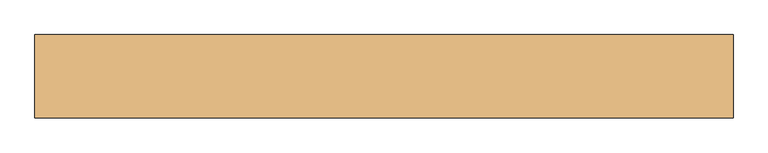
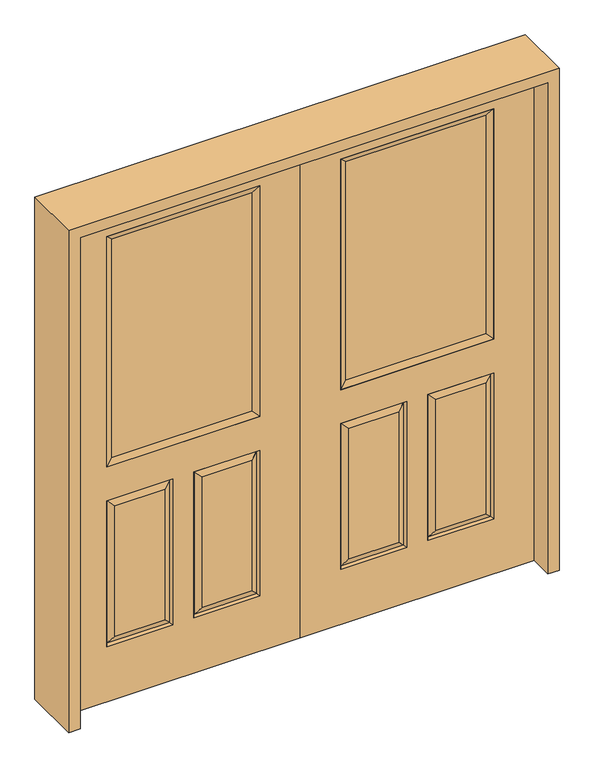
"""IFC4 building model written with IfcOpenShell, lengths in millimetres: door geometry."""

import ifcopenshell
import ifcopenshell.guid

model = None  # the IFC model being written
_history = None  # IfcOwnerHistory: only IFC2X3 demands one
_inside = {}  # id of a spatial element -> (the spatial element, [elements in it])
_under = {}  # id of a project, library or spatial element -> (it, [spatial elements below it])
_declared = {}  # id of a project -> (the project, [libraries it declares])
_typed = {}  # id of a type object -> (the type object, [elements of that type])
_made_of = {}  # id of a material, layer set ... -> (it, [elements and type objects made of it])


def new_model(schema):
    """Start an empty IFC model of exactly this schema.

    Asked for "IFC4X3", IfcOpenShell would pick the latest addendum, in which some entities
    have other attributes; the version numbers below select the first issue.
    IFC2X3 requires an IfcOwnerHistory on every rooted entity: one is made here for all.
    """
    global model, _history
    if schema == "IFC4X3":
        model = ifcopenshell.file(schema_version=(4, 3, 0, 0))
    else:
        model = ifcopenshell.file(schema=schema)
    _inside.clear()
    _under.clear()
    _declared.clear()
    _typed.clear()
    _made_of.clear()
    _history = None
    if model.schema == "IFC2X3":
        org = make("IfcOrganization", Name="unknown")
        user = make(
            "IfcPersonAndOrganization",
            ThePerson=make("IfcPerson", FamilyName="unknown"),
            TheOrganization=org,
        )
        app = make(
            "IfcApplication",
            ApplicationDeveloper=org,
            Version="unknown",
            ApplicationFullName="unknown",
            ApplicationIdentifier="unknown",
        )
        _history = make(
            "IfcOwnerHistory",
            OwningUser=user,
            OwningApplication=app,
            ChangeAction="ADDED",
            CreationDate=0,
        )
    return model


def make(cls, **values):
    """One entity of the class cls with the attributes given. An attribute that is None is left unset."""
    return model.create_entity(
        cls, **{name: value for name, value in values.items() if value is not None}
    )


def rooted(cls, **values):
    """An entity with a GlobalId (a new one), such as an element, a storey or a relation."""
    return make(cls, GlobalId=ifcopenshell.guid.new(), OwnerHistory=_history, **values)


def si_unit(unit_type, name, prefix=None):
    """IfcSIUnit, for example si_unit("LENGTHUNIT", "METRE", prefix="MILLI")."""
    return make("IfcSIUnit", UnitType=unit_type, Prefix=prefix, Name=name)


def assignment(units):
    """IfcUnitAssignment: the units of a project."""
    return None if units is None else make("IfcUnitAssignment", Units=units)


def point(xyz):
    """IfcCartesianPoint."""
    return None if xyz is None else make("IfcCartesianPoint", Coordinates=xyz)


def direction(xyz):
    """IfcDirection."""
    return None if xyz is None else make("IfcDirection", DirectionRatios=xyz)


def frame(location, z_axis=None, x_axis=None):
    """IfcAxis2Placement3D, a coordinate frame: its origin and axes. An axis left out is left unset."""
    return make(
        "IfcAxis2Placement3D",
        Location=point(location),
        Axis=direction(z_axis),
        RefDirection=direction(x_axis),
    )


def origin():
    """The frame at (0, 0, 0) with its axes left unset."""
    return frame((0.0, 0.0, 0.0))


def place(relative_to, where):
    """IfcLocalPlacement: puts the frame where relative to a parent placement (None: the world)."""
    return make(
        "IfcLocalPlacement", PlacementRelTo=relative_to, RelativePlacement=where
    )


def context(
    kind, dimensions, precision=None, world=None, true_north=None, identifier=None
):
    """IfcGeometricRepresentationContext, for example the 3D "Model" context."""
    return make(
        "IfcGeometricRepresentationContext",
        ContextIdentifier=identifier,
        ContextType=kind,
        CoordinateSpaceDimension=dimensions,
        Precision=precision,
        WorldCoordinateSystem=world,
        TrueNorth=true_north,
    )


def project(units=None, contexts=None):
    """IfcProject with its units and contexts."""
    return rooted(
        "IfcProject",
        Name="project",
        RepresentationContexts=contexts,
        UnitsInContext=assignment(units),
    )


def spatial(cls, under=None, at=None, **own):
    """A site, building, storey or space (cls), placed at a placement, below another one or the project."""
    s = rooted(cls, ObjectPlacement=at, **own)
    if under is not None:
        _under.setdefault(under.id(), (under, []))[1].append(s)
    return s


def polyline(points):
    """IfcPolyline through the points."""
    return make("IfcPolyline", Points=[point(p) for p in points])


def outline(outer, holes=None, kind="AREA"):
    """IfcArbitraryClosedProfileDef: a profile drawn as a closed curve; with holes, ...WithVoids."""
    if holes is None:
        return make("IfcArbitraryClosedProfileDef", ProfileType=kind, OuterCurve=outer)
    return make(
        "IfcArbitraryProfileDefWithVoids",
        ProfileType=kind,
        OuterCurve=outer,
        InnerCurves=holes,
    )


def extrude(swept, where, along, depth):
    """IfcExtrudedAreaSolid: the profile swept, set in the frame where, extruded along a direction by depth."""
    return make(
        "IfcExtrudedAreaSolid",
        SweptArea=swept,
        Position=where,
        ExtrudedDirection=direction(along),
        Depth=depth,
    )


def faces_of(points, faces, orient=None, outer=None):
    """IfcFace entities. A face is a list of loops; a loop is a list of indices into points, from 0.

    orient and outer hold one flag for each loop. By default every Orientation is true, the
    first loop of a face is its IfcFaceOuterBound and the others are IfcFaceBound.
    """
    made = []
    for i, loops in enumerate(faces):
        bounds = []
        for j, loop in enumerate(loops):
            is_outer = j == 0 if outer is None else outer[i][j]
            bounds.append(
                make(
                    "IfcFaceOuterBound" if is_outer else "IfcFaceBound",
                    Bound=make("IfcPolyLoop", Polygon=[points[k] for k in loop]),
                    Orientation=True if orient is None else orient[i][j],
                )
            )
        made.append(make("IfcFace", Bounds=bounds))
    return made


def faceted_brep(points, faces, orient=None, outer=None, voids=None):
    """IfcFacetedBrep: a solid bounded by flat faces; with voids (closed shells), ...WithVoids."""
    shared = [point(p) for p in points]
    hull = make("IfcClosedShell", CfsFaces=faces_of(shared, faces, orient, outer))
    if voids is None:
        return make("IfcFacetedBrep", Outer=hull)
    return make(
        "IfcFacetedBrepWithVoids",
        Outer=hull,
        Voids=[
            make(cls, CfsFaces=faces_of(shared, fs, o, b)) for cls, fs, o, b in voids
        ],
    )


def shape(context_of_items, identifier, shape_type, items):
    """IfcShapeRepresentation: the items that make up one representation, for example the "Body"."""
    return make(
        "IfcShapeRepresentation",
        ContextOfItems=context_of_items,
        RepresentationIdentifier=identifier,
        RepresentationType=shape_type,
        Items=items,
    )


def source(mapping_origin, context_of_items, identifier, shape_type, items):
    """IfcRepresentationMap: a shape defined once, which mapped items show again and again."""
    return make(
        "IfcRepresentationMap",
        MappingOrigin=mapping_origin,
        MappedRepresentation=shape(context_of_items, identifier, shape_type, items),
    )


def transform(
    local_origin,
    x_axis=None,
    y_axis=None,
    z_axis=None,
    scale=None,
    scale2=None,
    scale3=None,
    uniform=True,
):
    """IfcCartesianTransformationOperator3D, or its non-uniform kind. x_axis, y_axis, z_axis: its Axis1, 2, 3."""
    if uniform:
        return make(
            "IfcCartesianTransformationOperator3D",
            Axis1=direction(x_axis),
            Axis2=direction(y_axis),
            LocalOrigin=point(local_origin),
            Scale=scale,
            Axis3=direction(z_axis),
        )
    return make(
        "IfcCartesianTransformationOperator3DnonUniform",
        Axis1=direction(x_axis),
        Axis2=direction(y_axis),
        LocalOrigin=point(local_origin),
        Scale=scale,
        Axis3=direction(z_axis),
        Scale2=scale2,
        Scale3=scale3,
    )


def mapped(mapping_source, mapping_target):
    """IfcMappedItem: shows the shape of a source again, moved by a transform."""
    return make(
        "IfcMappedItem", MappingSource=mapping_source, MappingTarget=mapping_target
    )


def made_of(thing, what):
    """Note that an element or type object is made of a material, layer set ...; save() writes the relation."""
    if what is not None:
        _made_of.setdefault(what.id(), (what, []))[1].append(thing)
    return thing


def element(
    cls,
    number,
    at=None,
    inside=None,
    cuts=None,
    type_object=None,
    material=None,
    context=None,
    identifier="Body",
    shape_type=None,
    held_by="IfcProductDefinitionShape",
    body=None,
    shapes=None,
    **own,
):
    """One element of the class cls, such as IfcWall. Its Tag is "e" and its number.

    at: its placement. inside: the storey or other place that contains it. cuts: it is an
    opening in that element (IfcRelVoidsElement). A single representation is given by context,
    identifier, shape_type and body (its items); several are given by shapes. held_by: the class
    of the entity that holds the representations. save() writes the other relations.
    """
    e = rooted(cls, Tag="e%d" % number, ObjectPlacement=at, **own)
    if body is not None:
        shapes = [shape(context, identifier, shape_type, body)]
    if shapes is not None:
        e.Representation = make(held_by, Representations=shapes)
    if inside is not None:
        _inside.setdefault(inside.id(), (inside, []))[1].append(e)
    if cuts is not None:
        rooted(
            "IfcRelVoidsElement", RelatingBuildingElement=cuts, RelatedOpeningElement=e
        )
    if type_object is not None:
        _typed.setdefault(type_object.id(), (type_object, []))[1].append(e)
    return made_of(e, material)


def aggregate(whole, parts):
    """IfcRelAggregates: a whole, such as a stair, and the parts it consists of."""
    return rooted("IfcRelAggregates", RelatingObject=whole, RelatedObjects=parts)


def save(model, path):
    """Write the relations noted so far, then the file.

    IfcRelAggregates (storeys below a building ...), IfcRelContainedInSpatialStructure (elements
    in a storey), IfcRelDefinesByType, IfcRelAssociatesMaterial and IfcRelDeclares: one each for
    every whole, place, type object, material and project.
    """
    for whole, parts in _under.values():
        aggregate(whole, parts)
    for where, things in _inside.values():
        rooted(
            "IfcRelContainedInSpatialStructure",
            RelatedElements=things,
            RelatingStructure=where,
        )
    for kind, things in _typed.values():
        rooted("IfcRelDefinesByType", RelatedObjects=things, RelatingType=kind)
    for what, things in _made_of.values():
        rooted("IfcRelAssociatesMaterial", RelatedObjects=things, RelatingMaterial=what)
    for by, libraries in _declared.values():
        rooted("IfcRelDeclares", RelatingContext=by, RelatedDefinitions=libraries)
    model.write(path)


def door_009adab0(model_context):
    return source(origin(), model_context, "Body", "SolidModel", [
        faceted_brep([(914.4, -22.225, 0.0), (914.4, -22.225, 2032.0), (0.0, -22.225, 2032.0), (0.0, -22.225, 0.0), (756.539, -22.225, 971.55), (157.861, -22.225, 971.55), (157.861, -22.225, 1925.574), (756.539, -22.225, 1925.574), (756.539, -22.225, 831.85), (756.539, -22.225, 228.6), (498.475, -22.225, 228.6), (498.475, -22.225, 831.85), (415.925, -22.225, 831.85), (415.925, -22.225, 228.6), (157.861, -22.225, 228.6), (157.861, -22.225, 831.85), (530.225, -22.225, 800.1), (530.225, -22.225, 260.35), (724.789, -22.225, 260.35), (724.789, -22.225, 800.1), (189.611, -22.225, 800.1), (189.611, -22.225, 260.35), (384.175, -22.225, 260.35), (384.175, -22.225, 800.1), (0.0, 22.225, 0.0), (914.4, 22.225, 0.0), (0.0, 22.225, 2032.0), (914.4, 22.225, 2032.0), (756.539, 22.225, 1925.574), (756.539, 22.225, 971.55), (157.861, 22.225, 971.55), (157.861, 22.225, 1925.574), (749.39525, -12.7449236, 824.70625), (505.61875, -12.7449236, 824.70625), (749.39525, -12.7449236, 235.74375), (505.61875, -12.7449236, 235.74375), (165.00475, -12.7449236, 824.70625), (408.78125, -12.7449236, 824.70625), (408.78125, -12.7449236, 235.74375), (165.00475, -12.7449236, 235.74375), (498.475, 22.225, 831.85), (498.475, 22.225, 228.6), (756.539, 22.225, 228.6), (756.539, 22.225, 831.85), (157.861, 22.225, 831.85), (157.861, 22.225, 228.6), (415.925, 22.225, 228.6), (415.925, 22.225, 831.85), (724.789, 22.225, 800.1), (724.789, 22.225, 260.35), (530.225, 22.225, 260.35), (530.225, 22.225, 800.1), (384.175, 22.225, 800.1), (384.175, 22.225, 260.35), (189.611, 22.225, 260.35), (189.611, 22.225, 800.1), (749.39525, 12.7449236, 824.70625), (505.61875, 12.7449236, 824.70625), (505.61875, 12.7449236, 235.74375), (749.39525, 12.7449236, 235.74375), (165.00475, 12.7449236, 824.70625), (408.78125, 12.7449236, 824.70625), (165.00475, 12.7449236, 235.74375), (408.78125, 12.7449236, 235.74375)], [[[0, 1, 2, 3], [4, 5, 6, 7], [8, 9, 10, 11], [12, 13, 14, 15]], [[16, 17, 18, 19]], [[20, 21, 22, 23]], [[3, 24, 25, 0]], [[2, 26, 24, 3]], [[0, 25, 27, 1]], [[7, 28, 29, 4]], [[5, 30, 31, 6]], [[4, 29, 30, 5]], [[16, 19, 32, 33]], [[19, 18, 34, 32]], [[35, 34, 18, 17]], [[33, 35, 17, 16]], [[32, 8, 11, 33]], [[11, 10, 35, 33]], [[10, 9, 34, 35]], [[32, 34, 9, 8]], [[36, 20, 23, 37]], [[23, 22, 38, 37]], [[22, 21, 39, 38]], [[36, 39, 21, 20]], [[37, 12, 15, 36]], [[15, 14, 39, 36]], [[38, 39, 14, 13]], [[37, 38, 13, 12]], [[25, 24, 26, 27], [29, 28, 31, 30], [40, 41, 42, 43], [44, 45, 46, 47]], [[48, 49, 50, 51]], [[52, 53, 54, 55]], [[56, 48, 51, 57]], [[51, 50, 58, 57]], [[50, 49, 59, 58]], [[56, 59, 49, 48]], [[57, 40, 43, 56]], [[43, 42, 59, 56]], [[58, 59, 42, 41]], [[57, 58, 41, 40]], [[52, 55, 60, 61]], [[55, 54, 62, 60]], [[63, 62, 54, 53]], [[61, 63, 53, 52]], [[60, 44, 47, 61]], [[47, 46, 63, 61]], [[46, 45, 62, 63]], [[60, 62, 45, 44]], [[1, 27, 26, 2]], [[6, 31, 28, 7]]]),
        extrude(outline(polyline([(183.261, -12.7), (183.261, 12.7), (731.139, 12.7), (731.139, -12.7), (183.261, -12.7)])), frame((0.0, 0.0, 996.95), z_axis=(0.0, 0.0, 1.0), x_axis=(1.0, 0.0, 0.0)), (0.0, 0.0, 1.0), 903.224),
        faceted_brep([(756.539, -22.225, 1925.574), (756.539, -22.225, 971.55), (756.539, 22.225, 971.55), (756.539, 22.225, 1925.574), (157.861, -22.225, 971.55), (157.861, 22.225, 971.55), (183.261, 12.7, 996.95), (731.139, 12.7, 996.95), (157.861, -22.225, 1925.574), (157.861, 22.225, 1925.574), (731.139, -12.7, 996.95), (183.261, -12.7, 996.95), (731.139, -12.7, 1900.174), (183.261, -12.7, 1900.174), (731.139, 12.7, 1900.174), (183.261, 12.7, 1900.174)], [[[0, 1, 2, 3]], [[1, 4, 5, 2]], [[2, 5, 6, 7]], [[4, 8, 9, 5]], [[10, 11, 4, 1]], [[12, 10, 1, 0]], [[11, 13, 8, 4]], [[7, 6, 11, 10]], [[14, 7, 10, 12]], [[6, 15, 13, 11]], [[3, 2, 7, 14]], [[5, 9, 15, 6]], [[8, 0, 3, 9]], [[13, 12, 0, 8]], [[15, 14, 12, 13]], [[9, 3, 14, 15]]]),
        faceted_brep([(-914.4, -22.225, 0.0), (0.0, -22.225, 0.0), (0.0, -22.225, 2032.0), (-914.4, -22.225, 2032.0), (-756.539, -22.225, 971.55), (-756.539, -22.225, 1925.574), (-157.861, -22.225, 1925.574), (-157.861, -22.225, 971.55), (-756.539, -22.225, 831.85), (-498.475, -22.225, 831.85), (-498.475, -22.225, 228.6), (-756.539, -22.225, 228.6), (-415.925, -22.225, 831.85), (-157.861, -22.225, 831.85), (-157.861, -22.225, 228.6), (-415.925, -22.225, 228.6), (-530.225, -22.225, 800.1), (-724.789, -22.225, 800.1), (-724.789, -22.225, 260.35), (-530.225, -22.225, 260.35), (-189.611, -22.225, 800.1), (-384.175, -22.225, 800.1), (-384.175, -22.225, 260.35), (-189.611, -22.225, 260.35), (-914.4, 22.225, 0.0), (0.0, 22.225, 0.0), (0.0, 22.225, 2032.0), (-914.4, 22.225, 2032.0), (-756.539, 22.225, 971.55), (-756.539, 22.225, 1925.574), (-157.861, 22.225, 1925.574), (-157.861, 22.225, 971.55), (-505.61875, -12.7449236, 824.70625), (-749.39525, -12.7449236, 824.70625), (-749.39525, -12.7449236, 235.74375), (-505.61875, -12.7449236, 235.74375), (-165.00475, -12.7449236, 824.70625), (-408.78125, -12.7449236, 824.70625), (-408.78125, -12.7449236, 235.74375), (-165.00475, -12.7449236, 235.74375), (-498.475, 22.225, 831.85), (-756.539, 22.225, 831.85), (-756.539, 22.225, 228.6), (-498.475, 22.225, 228.6), (-157.861, 22.225, 831.85), (-415.925, 22.225, 831.85), (-415.925, 22.225, 228.6), (-157.861, 22.225, 228.6), (-724.789, 22.225, 800.1), (-530.225, 22.225, 800.1), (-530.225, 22.225, 260.35), (-724.789, 22.225, 260.35), (-384.175, 22.225, 800.1), (-189.611, 22.225, 800.1), (-189.611, 22.225, 260.35), (-384.175, 22.225, 260.35), (-749.39525, 12.7449236, 824.70625), (-505.61875, 12.7449236, 824.70625), (-505.61875, 12.7449236, 235.74375), (-749.39525, 12.7449236, 235.74375), (-408.78125, 12.7449236, 824.70625), (-165.00475, 12.7449236, 824.70625), (-165.00475, 12.7449236, 235.74375), (-408.78125, 12.7449236, 235.74375)], [[[0, 1, 2, 3], [4, 5, 6, 7], [8, 9, 10, 11], [12, 13, 14, 15]], [[16, 17, 18, 19]], [[20, 21, 22, 23]], [[1, 0, 24, 25]], [[2, 1, 25, 26]], [[0, 3, 27, 24]], [[5, 4, 28, 29]], [[7, 6, 30, 31]], [[4, 7, 31, 28]], [[16, 32, 33, 17]], [[17, 33, 34, 18]], [[35, 19, 18, 34]], [[32, 16, 19, 35]], [[33, 32, 9, 8]], [[9, 32, 35, 10]], [[10, 35, 34, 11]], [[33, 8, 11, 34]], [[36, 37, 21, 20]], [[21, 37, 38, 22]], [[22, 38, 39, 23]], [[36, 20, 23, 39]], [[37, 36, 13, 12]], [[13, 36, 39, 14]], [[38, 15, 14, 39]], [[37, 12, 15, 38]], [[24, 27, 26, 25], [28, 31, 30, 29], [40, 41, 42, 43], [44, 45, 46, 47]], [[48, 49, 50, 51]], [[52, 53, 54, 55]], [[56, 57, 49, 48]], [[49, 57, 58, 50]], [[50, 58, 59, 51]], [[56, 48, 51, 59]], [[57, 56, 41, 40]], [[41, 56, 59, 42]], [[58, 43, 42, 59]], [[57, 40, 43, 58]], [[52, 60, 61, 53]], [[53, 61, 62, 54]], [[63, 55, 54, 62]], [[60, 52, 55, 63]], [[61, 60, 45, 44]], [[45, 60, 63, 46]], [[46, 63, 62, 47]], [[61, 44, 47, 62]], [[3, 2, 26, 27]], [[6, 5, 29, 30]]]),
        extrude(outline(polyline([(-183.261, -12.7), (-731.139, -12.7), (-731.139, 12.7), (-183.261, 12.7), (-183.261, -12.7)])), frame((0.0, 0.0, 996.95), z_axis=(0.0, 0.0, 1.0), x_axis=(1.0, 0.0, 0.0)), (0.0, 0.0, 1.0), 903.224),
        faceted_brep([(-756.539, -22.225, 1925.574), (-756.539, 22.225, 1925.574), (-756.539, 22.225, 971.55), (-756.539, -22.225, 971.55), (-157.861, 22.225, 971.55), (-157.861, -22.225, 971.55), (-731.139, 12.7, 996.95), (-183.261, 12.7, 996.95), (-157.861, 22.225, 1925.574), (-157.861, -22.225, 1925.574), (-731.139, -12.7, 996.95), (-183.261, -12.7, 996.95), (-731.139, -12.7, 1900.174), (-183.261, -12.7, 1900.174), (-731.139, 12.7, 1900.174), (-183.261, 12.7, 1900.174)], [[[0, 1, 2, 3]], [[3, 2, 4, 5]], [[2, 6, 7, 4]], [[5, 4, 8, 9]], [[10, 3, 5, 11]], [[12, 0, 3, 10]], [[11, 5, 9, 13]], [[6, 10, 11, 7]], [[14, 12, 10, 6]], [[7, 11, 13, 15]], [[1, 14, 6, 2]], [[4, 7, 15, 8]], [[9, 8, 1, 0]], [[13, 9, 0, 12]], [[15, 13, 12, 14]], [[8, 15, 14, 1]]]),
        extrude(outline(polyline([(0.0, -958.85), (0.0, -914.4), (2032.0, -914.4), (2032.0, 914.4), (0.0, 914.4), (0.0, 958.85), (2076.45, 958.85), (2076.45, -958.85), (0.0, -958.85)])), frame((0.0, -114.3, 0.0), z_axis=(0.0, 1.0, 0.0), x_axis=(0.0, 0.0, 1.0)), (0.0, 0.0, 1.0), 228.6),
    ])


if __name__ == "__main__":
    model = new_model("IFC4")
    model_context = context("Model", 3, world=origin())
    ifc_project = project(units=[si_unit("LENGTHUNIT", "METRE", prefix="MILLI")], contexts=[model_context])
    site = spatial("IfcSite", under=ifc_project)
    building = spatial("IfcBuilding", under=site)
    placement = place(None, origin())
    door_shape = door_009adab0(model_context)
    element("IfcDoor", 1, at=placement, inside=building, context=model_context, shape_type="MappedRepresentation", body=[
        mapped(door_shape, transform((0.0, 0.0, 0.0), x_axis=(1.0, 0.0, 0.0), y_axis=(0.0, 1.0, 0.0), z_axis=(0.0, 0.0, 1.0))),
    ])
    save(model, "model.ifc")
